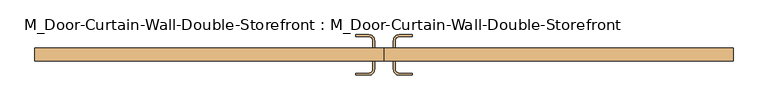
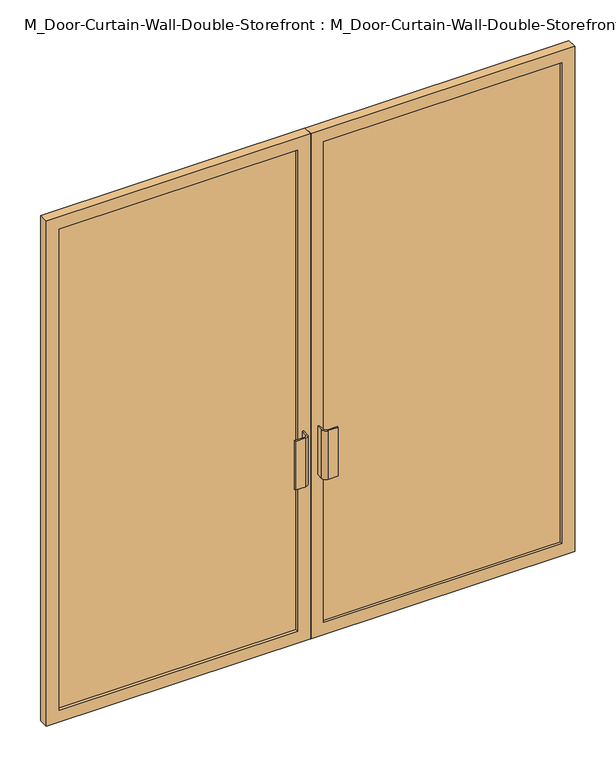
"""IFC4 building model written with IfcOpenShell, lengths in millimetres: door geometry, M_Door-Curtain-Wall-Double-Storefront : M_Door-Curtain-Wall-Double-Storefront."""

from ifc_helpers import new_model, si_unit, point, frame, frame_2d, origin, place, context, project, spatial, polyline, circle_curve, trimmed, segment, composite_curve, outline, extrude, source, transform, mapped, element, save


def m_door_curtain_wall_double_storefront_m_door_curtain_wall_a9c91b76(model_context):
    return source(origin(), model_context, "Body", "SweptSolid", [
        extrude(outline(polyline([(2375.0, 0.8168501), (0.0, 0.8168501), (0.0, 1175.0), (2375.0, 1175.0), (2375.0, 0.8168501)]), holes=[polyline([(2317.85, 57.9668501), (2317.85, 1117.85), (57.15, 1117.85), (57.15, 57.9668501), (2317.85, 57.9668501)])]), frame((0.0, 15.55, 0.0), z_axis=(0.0, 1.0, 0.0), x_axis=(0.0, 0.0, 1.0)), (0.0, 0.0, 1.0), 44.45),
        extrude(outline(polyline([(2375.0, -0.7706499), (2375.0, -1175.0), (0.0, -1175.0), (0.0, -0.7706499), (2375.0, -0.7706499)]), holes=[polyline([(2317.85, -1117.85), (2317.85, -57.9206499), (57.15, -57.9206499), (57.15, -1117.85), (2317.85, -1117.85)])]), frame((0.0, 15.55, 0.0), z_axis=(0.0, 1.0, 0.0), x_axis=(0.0, 0.0, 1.0)), (0.0, 0.0, 1.0), 44.45),
        extrude(outline(polyline([(1117.85, 28.25), (57.9668501, 28.25), (57.9668501, 47.3), (1117.85, 47.3), (1117.85, 28.25)])), frame((0.0, 0.0, 57.15), z_axis=(0.0, 0.0, 1.0), x_axis=(1.0, 0.0, 0.0)), (0.0, 0.0, 1.0), 2260.7),
        extrude(outline(polyline([(-57.9206499, 28.25), (-1117.85, 28.25), (-1117.85, 47.3), (-57.9206499, 47.3), (-57.9206499, 28.25)])), frame((0.0, 0.0, 57.15), z_axis=(0.0, 0.0, 1.0), x_axis=(1.0, 0.0, 0.0)), (0.0, 0.0, 1.0), 2260.7),
        extrude(outline(composite_curve([segment(trimmed(circle_curve(frame_2d((-50.7768999, -12.7)), 19.05), [point((-31.7268999, -12.7))], [point((-50.7768999, -31.75))], False, "CARTESIAN"), True, "CONTINUOUS"), segment(polyline([(-50.7768999, -31.75), (-95.2268999, -31.75), (-95.2268999, -25.4), (-50.7768999, -25.4)]), True, "CONTINUOUS"), segment(trimmed(circle_curve(frame_2d((-50.7768999, -12.7)), 12.7), [point((-50.7768999, -25.4))], [point((-38.0768999, -12.7))], True, "CARTESIAN"), True, "CONTINUOUS"), segment(polyline([(-38.0768999, -12.7), (-38.0768999, 15.55), (-31.7268999, 15.55), (-31.7268999, -12.7)]), True, "CONTINUOUS")], self_intersect=False)), frame((0.0, 0.0, 762.0), z_axis=(0.0, 0.0, 1.0), x_axis=(1.0, 0.0, 0.0)), (0.0, 0.0, 1.0), 228.6),
        extrude(outline(composite_curve([segment(polyline([(31.7731001, -12.7), (31.7731001, 15.55), (38.1231001, 15.55), (38.1231001, -12.7)]), True, "CONTINUOUS"), segment(trimmed(circle_curve(frame_2d((50.8231001, -12.7)), 12.7), [point((38.1231001, -12.7))], [point((50.8231001, -25.4))], True, "CARTESIAN"), True, "CONTINUOUS"), segment(polyline([(50.8231001, -25.4), (95.2731001, -25.4), (95.2731001, -31.75), (50.8231001, -31.75)]), True, "CONTINUOUS"), segment(trimmed(circle_curve(frame_2d((50.8231001, -12.7)), 19.05), [point((50.8231001, -31.75))], [point((31.7731001, -12.7))], False, "CARTESIAN"), True, "CONTINUOUS")], self_intersect=False)), frame((0.0, 0.0, 762.0), z_axis=(0.0, 0.0, 1.0), x_axis=(1.0, 0.0, 0.0)), (0.0, 0.0, 1.0), 228.6),
        extrude(outline(composite_curve([segment(polyline([(-31.7268999, 85.4), (-31.7268999, 60.0), (-38.0768999, 60.0), (-38.0768999, 85.4)]), True, "CONTINUOUS"), segment(trimmed(circle_curve(frame_2d((-50.7768999, 85.4)), 12.7), [point((-38.0768999, 85.4))], [point((-50.7768999, 98.1))], True, "CARTESIAN"), True, "CONTINUOUS"), segment(polyline([(-50.7768999, 98.1), (-95.2268999, 98.1), (-95.2268999, 104.45), (-50.7768999, 104.45)]), True, "CONTINUOUS"), segment(trimmed(circle_curve(frame_2d((-50.7768999, 85.4)), 19.05), [point((-50.7768999, 104.45))], [point((-31.7268999, 85.4))], False, "CARTESIAN"), True, "CONTINUOUS")], self_intersect=False)), frame((0.0, 0.0, 762.0), z_axis=(0.0, 0.0, 1.0), x_axis=(1.0, 0.0, 0.0)), (0.0, 0.0, 1.0), 228.6),
        extrude(outline(composite_curve([segment(trimmed(circle_curve(frame_2d((50.8231001, 85.4)), 19.05), [point((31.7731001, 85.4))], [point((50.8231001, 104.45))], False, "CARTESIAN"), True, "CONTINUOUS"), segment(polyline([(50.8231001, 104.45), (95.2731001, 104.45), (95.2731001, 98.1), (50.8231001, 98.1)]), True, "CONTINUOUS"), segment(trimmed(circle_curve(frame_2d((50.8231001, 85.4)), 12.7), [point((50.8231001, 98.1))], [point((38.1231001, 85.4))], True, "CARTESIAN"), True, "CONTINUOUS"), segment(polyline([(38.1231001, 85.4), (38.1231001, 60.0), (31.7731001, 60.0), (31.7731001, 85.4)]), True, "CONTINUOUS")], self_intersect=False)), frame((0.0, 0.0, 762.0), z_axis=(0.0, 0.0, 1.0), x_axis=(1.0, 0.0, 0.0)), (0.0, 0.0, 1.0), 228.6),
    ])


if __name__ == "__main__":
    model = new_model("IFC4")
    model_context = context("Model", 3, world=origin())
    ifc_project = project(units=[si_unit("LENGTHUNIT", "METRE", prefix="MILLI")], contexts=[model_context])
    site = spatial("IfcSite", under=ifc_project)
    building = spatial("IfcBuilding", under=site)
    placement = place(None, origin())
    m_door_curtain_wall_double_storefront_m_door_curtain_wall_shape = m_door_curtain_wall_double_storefront_m_door_curtain_wall_a9c91b76(model_context)
    element("IfcDoor", 1, ObjectType="M_Door-Curtain-Wall-Double-Storefront : M_Door-Curtain-Wall-Double-Storefront", at=placement, inside=building, context=model_context, shape_type="MappedRepresentation", body=[
        mapped(m_door_curtain_wall_double_storefront_m_door_curtain_wall_shape, transform((0.0, 0.0, 0.0), x_axis=(1.0, 0.0, 0.0), y_axis=(0.0, 1.0, 0.0), z_axis=(0.0, 0.0, 1.0))),
    ])
    save(model, "model.ifc")
